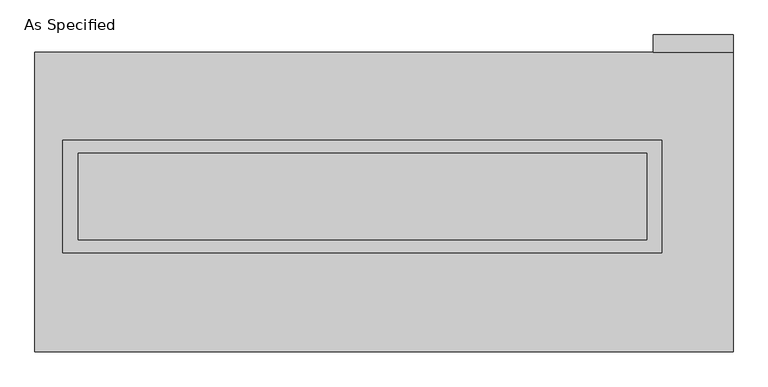
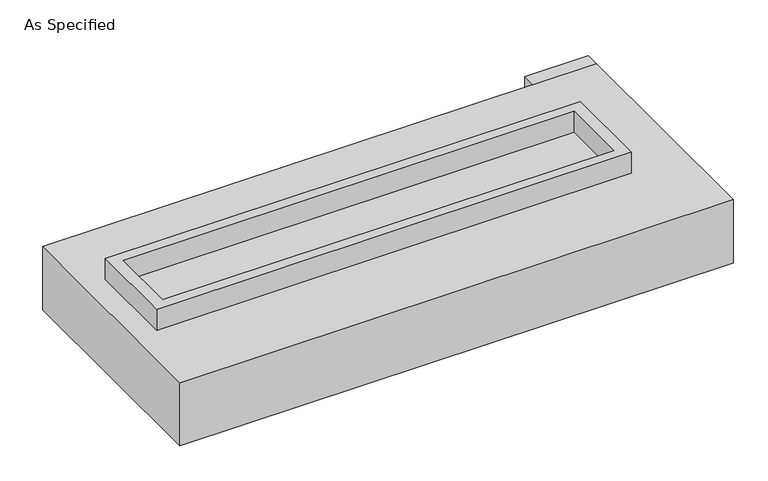
"""IFC4 building model written with IfcOpenShell, lengths in millimetres: proxy geometry, As Specified."""

import ifcopenshell
import ifcopenshell.guid

model = None  # the IFC model being written
_history = None  # IfcOwnerHistory: only IFC2X3 demands one
_inside = {}  # id of a spatial element -> (the spatial element, [elements in it])
_under = {}  # id of a project, library or spatial element -> (it, [spatial elements below it])
_declared = {}  # id of a project -> (the project, [libraries it declares])
_typed = {}  # id of a type object -> (the type object, [elements of that type])
_made_of = {}  # id of a material, layer set ... -> (it, [elements and type objects made of it])


def new_model(schema):
    """Start an empty IFC model of exactly this schema.

    Asked for "IFC4X3", IfcOpenShell would pick the latest addendum, in which some entities
    have other attributes; the version numbers below select the first issue.
    IFC2X3 requires an IfcOwnerHistory on every rooted entity: one is made here for all.
    """
    global model, _history
    if schema == "IFC4X3":
        model = ifcopenshell.file(schema_version=(4, 3, 0, 0))
    else:
        model = ifcopenshell.file(schema=schema)
    _inside.clear()
    _under.clear()
    _declared.clear()
    _typed.clear()
    _made_of.clear()
    _history = None
    if model.schema == "IFC2X3":
        org = make("IfcOrganization", Name="unknown")
        user = make(
            "IfcPersonAndOrganization",
            ThePerson=make("IfcPerson", FamilyName="unknown"),
            TheOrganization=org,
        )
        app = make(
            "IfcApplication",
            ApplicationDeveloper=org,
            Version="unknown",
            ApplicationFullName="unknown",
            ApplicationIdentifier="unknown",
        )
        _history = make(
            "IfcOwnerHistory",
            OwningUser=user,
            OwningApplication=app,
            ChangeAction="ADDED",
            CreationDate=0,
        )
    return model


def make(cls, **values):
    """One entity of the class cls with the attributes given. An attribute that is None is left unset."""
    return model.create_entity(
        cls, **{name: value for name, value in values.items() if value is not None}
    )


def rooted(cls, **values):
    """An entity with a GlobalId (a new one), such as an element, a storey or a relation."""
    return make(cls, GlobalId=ifcopenshell.guid.new(), OwnerHistory=_history, **values)


def si_unit(unit_type, name, prefix=None):
    """IfcSIUnit, for example si_unit("LENGTHUNIT", "METRE", prefix="MILLI")."""
    return make("IfcSIUnit", UnitType=unit_type, Prefix=prefix, Name=name)


def assignment(units):
    """IfcUnitAssignment: the units of a project."""
    return None if units is None else make("IfcUnitAssignment", Units=units)


def point(xyz):
    """IfcCartesianPoint."""
    return None if xyz is None else make("IfcCartesianPoint", Coordinates=xyz)


def direction(xyz):
    """IfcDirection."""
    return None if xyz is None else make("IfcDirection", DirectionRatios=xyz)


def frame(location, z_axis=None, x_axis=None):
    """IfcAxis2Placement3D, a coordinate frame: its origin and axes. An axis left out is left unset."""
    return make(
        "IfcAxis2Placement3D",
        Location=point(location),
        Axis=direction(z_axis),
        RefDirection=direction(x_axis),
    )


def origin():
    """The frame at (0, 0, 0) with its axes left unset."""
    return frame((0.0, 0.0, 0.0))


def place(relative_to, where):
    """IfcLocalPlacement: puts the frame where relative to a parent placement (None: the world)."""
    return make(
        "IfcLocalPlacement", PlacementRelTo=relative_to, RelativePlacement=where
    )


def context(
    kind, dimensions, precision=None, world=None, true_north=None, identifier=None
):
    """IfcGeometricRepresentationContext, for example the 3D "Model" context."""
    return make(
        "IfcGeometricRepresentationContext",
        ContextIdentifier=identifier,
        ContextType=kind,
        CoordinateSpaceDimension=dimensions,
        Precision=precision,
        WorldCoordinateSystem=world,
        TrueNorth=true_north,
    )


def project(units=None, contexts=None):
    """IfcProject with its units and contexts."""
    return rooted(
        "IfcProject",
        Name="project",
        RepresentationContexts=contexts,
        UnitsInContext=assignment(units),
    )


def spatial(cls, under=None, at=None, **own):
    """A site, building, storey or space (cls), placed at a placement, below another one or the project."""
    s = rooted(cls, ObjectPlacement=at, **own)
    if under is not None:
        _under.setdefault(under.id(), (under, []))[1].append(s)
    return s


def polyline(points):
    """IfcPolyline through the points."""
    return make("IfcPolyline", Points=[point(p) for p in points])


def outline(outer, holes=None, kind="AREA"):
    """IfcArbitraryClosedProfileDef: a profile drawn as a closed curve; with holes, ...WithVoids."""
    if holes is None:
        return make("IfcArbitraryClosedProfileDef", ProfileType=kind, OuterCurve=outer)
    return make(
        "IfcArbitraryProfileDefWithVoids",
        ProfileType=kind,
        OuterCurve=outer,
        InnerCurves=holes,
    )


def extrude(swept, where, along, depth):
    """IfcExtrudedAreaSolid: the profile swept, set in the frame where, extruded along a direction by depth."""
    return make(
        "IfcExtrudedAreaSolid",
        SweptArea=swept,
        Position=where,
        ExtrudedDirection=direction(along),
        Depth=depth,
    )


def faces_of(points, faces, orient=None, outer=None):
    """IfcFace entities. A face is a list of loops; a loop is a list of indices into points, from 0.

    orient and outer hold one flag for each loop. By default every Orientation is true, the
    first loop of a face is its IfcFaceOuterBound and the others are IfcFaceBound.
    """
    made = []
    for i, loops in enumerate(faces):
        bounds = []
        for j, loop in enumerate(loops):
            is_outer = j == 0 if outer is None else outer[i][j]
            bounds.append(
                make(
                    "IfcFaceOuterBound" if is_outer else "IfcFaceBound",
                    Bound=make("IfcPolyLoop", Polygon=[points[k] for k in loop]),
                    Orientation=True if orient is None else orient[i][j],
                )
            )
        made.append(make("IfcFace", Bounds=bounds))
    return made


def faceted_brep(points, faces, orient=None, outer=None, voids=None):
    """IfcFacetedBrep: a solid bounded by flat faces; with voids (closed shells), ...WithVoids."""
    shared = [point(p) for p in points]
    hull = make("IfcClosedShell", CfsFaces=faces_of(shared, faces, orient, outer))
    if voids is None:
        return make("IfcFacetedBrep", Outer=hull)
    return make(
        "IfcFacetedBrepWithVoids",
        Outer=hull,
        Voids=[
            make(cls, CfsFaces=faces_of(shared, fs, o, b)) for cls, fs, o, b in voids
        ],
    )


def shape(context_of_items, identifier, shape_type, items):
    """IfcShapeRepresentation: the items that make up one representation, for example the "Body"."""
    return make(
        "IfcShapeRepresentation",
        ContextOfItems=context_of_items,
        RepresentationIdentifier=identifier,
        RepresentationType=shape_type,
        Items=items,
    )


def source(mapping_origin, context_of_items, identifier, shape_type, items):
    """IfcRepresentationMap: a shape defined once, which mapped items show again and again."""
    return make(
        "IfcRepresentationMap",
        MappingOrigin=mapping_origin,
        MappedRepresentation=shape(context_of_items, identifier, shape_type, items),
    )


def transform(
    local_origin,
    x_axis=None,
    y_axis=None,
    z_axis=None,
    scale=None,
    scale2=None,
    scale3=None,
    uniform=True,
):
    """IfcCartesianTransformationOperator3D, or its non-uniform kind. x_axis, y_axis, z_axis: its Axis1, 2, 3."""
    if uniform:
        return make(
            "IfcCartesianTransformationOperator3D",
            Axis1=direction(x_axis),
            Axis2=direction(y_axis),
            LocalOrigin=point(local_origin),
            Scale=scale,
            Axis3=direction(z_axis),
        )
    return make(
        "IfcCartesianTransformationOperator3DnonUniform",
        Axis1=direction(x_axis),
        Axis2=direction(y_axis),
        LocalOrigin=point(local_origin),
        Scale=scale,
        Axis3=direction(z_axis),
        Scale2=scale2,
        Scale3=scale3,
    )


def mapped(mapping_source, mapping_target):
    """IfcMappedItem: shows the shape of a source again, moved by a transform."""
    return make(
        "IfcMappedItem", MappingSource=mapping_source, MappingTarget=mapping_target
    )


def made_of(thing, what):
    """Note that an element or type object is made of a material, layer set ...; save() writes the relation."""
    if what is not None:
        _made_of.setdefault(what.id(), (what, []))[1].append(thing)
    return thing


def element(
    cls,
    number,
    at=None,
    inside=None,
    cuts=None,
    type_object=None,
    material=None,
    context=None,
    identifier="Body",
    shape_type=None,
    held_by="IfcProductDefinitionShape",
    body=None,
    shapes=None,
    **own,
):
    """One element of the class cls, such as IfcWall. Its Tag is "e" and its number.

    at: its placement. inside: the storey or other place that contains it. cuts: it is an
    opening in that element (IfcRelVoidsElement). A single representation is given by context,
    identifier, shape_type and body (its items); several are given by shapes. held_by: the class
    of the entity that holds the representations. save() writes the other relations.
    """
    e = rooted(cls, Tag="e%d" % number, ObjectPlacement=at, **own)
    if body is not None:
        shapes = [shape(context, identifier, shape_type, body)]
    if shapes is not None:
        e.Representation = make(held_by, Representations=shapes)
    if inside is not None:
        _inside.setdefault(inside.id(), (inside, []))[1].append(e)
    if cuts is not None:
        rooted(
            "IfcRelVoidsElement", RelatingBuildingElement=cuts, RelatedOpeningElement=e
        )
    if type_object is not None:
        _typed.setdefault(type_object.id(), (type_object, []))[1].append(e)
    return made_of(e, material)


def aggregate(whole, parts):
    """IfcRelAggregates: a whole, such as a stair, and the parts it consists of."""
    return rooted("IfcRelAggregates", RelatingObject=whole, RelatedObjects=parts)


def save(model, path):
    """Write the relations noted so far, then the file.

    IfcRelAggregates (storeys below a building ...), IfcRelContainedInSpatialStructure (elements
    in a storey), IfcRelDefinesByType, IfcRelAssociatesMaterial and IfcRelDeclares: one each for
    every whole, place, type object, material and project.
    """
    for whole, parts in _under.values():
        aggregate(whole, parts)
    for where, things in _inside.values():
        rooted(
            "IfcRelContainedInSpatialStructure",
            RelatedElements=things,
            RelatingStructure=where,
        )
    for kind, things in _typed.values():
        rooted("IfcRelDefinesByType", RelatedObjects=things, RelatingType=kind)
    for what, things in _made_of.values():
        rooted("IfcRelAssociatesMaterial", RelatedObjects=things, RelatingMaterial=what)
    for by, libraries in _declared.values():
        rooted("IfcRelDeclares", RelatingContext=by, RelatedDefinitions=libraries)
    model.write(path)


def as_specified_164ddc51(model_context):
    return source(origin(), model_context, "Body", "SolidModel", [
        extrude(outline(polyline([(1765.3, 361.95), (1765.3, -298.45), (-1765.3, -298.45), (-1765.3, 361.95), (1765.3, 361.95)]), holes=[polyline([(1676.4, 285.75), (-1676.4, 285.75), (-1676.4, -222.25), (1676.4, -222.25), (1676.4, 285.75)])]), frame((0.0, 0.0, -25.4), z_axis=(0.0, 0.0, 1.0), x_axis=(1.0, 0.0, 0.0)), (0.0, 0.0, 1.0), 165.1),
        extrude(outline(polyline([(1714.5, 882.65), (1714.5, 984.25), (2184.4, 984.25), (2184.4, 882.65), (1714.5, 882.65)])), frame((0.0, 0.0, -523.875), z_axis=(0.0, 0.0, 1.0), x_axis=(1.0, 0.0, 0.0)), (0.0, 0.0, 1.0), 498.475),
        extrude(outline(polyline([(1676.4, 285.75), (1676.4, -222.25), (-1676.4, -222.25), (-1676.4, 285.75), (1676.4, 285.75)])), frame((0.0, 0.0, -30.3609375), z_axis=(0.0, 0.0, 1.0), x_axis=(1.0, 0.0, 0.0)), (0.0, 0.0, 1.0), 4.9609375),
        faceted_brep([(2184.4, -882.65, -523.875), (-1930.4, -882.65, -523.875), (-1930.4, 882.65, -523.875), (2184.4, 882.65, -523.875), (2184.4, 882.65, -25.4), (-1930.4, 882.65, -25.4), (-1930.4, -882.65, -25.4), (2184.4, -882.65, -25.4), (1765.3, 361.95, -25.4), (1765.3, -298.45, -25.4), (-1765.3, -298.45, -25.4), (-1765.3, 361.95, -25.4), (1765.3, 361.95, -498.475), (-1765.3, 361.95, -498.475), (-1765.3, -298.45, -498.475), (1765.3, -298.45, -498.475)], [[[0, 1, 2, 3]], [[4, 5, 6, 7], [8, 9, 10, 11]], [[3, 2, 5, 4]], [[2, 1, 6, 5]], [[0, 3, 4, 7]], [[12, 13, 14, 15]], [[14, 13, 11, 10]], [[13, 12, 8, 11]], [[12, 15, 9, 8]], [[10, 9, 15, 14]], [[1, 0, 7, 6]]]),
    ])


if __name__ == "__main__":
    model = new_model("IFC4")
    model_context = context("Model", 3, world=origin())
    ifc_project = project(units=[si_unit("LENGTHUNIT", "METRE", prefix="MILLI")], contexts=[model_context])
    site = spatial("IfcSite", under=ifc_project)
    building = spatial("IfcBuilding", under=site)
    placement = place(None, origin())
    as_specified_shape = as_specified_164ddc51(model_context)
    element("IfcBuildingElementProxy", 1, Name="As Specified", ObjectType="As Specified", at=placement, inside=building, context=model_context, shape_type="MappedRepresentation", body=[
        mapped(as_specified_shape, transform((0.0, 0.0, 0.0), x_axis=(1.0, 0.0, 0.0), y_axis=(0.0, 1.0, 0.0), z_axis=(0.0, 0.0, 1.0))),
    ])
    save(model, "model.ifc")
